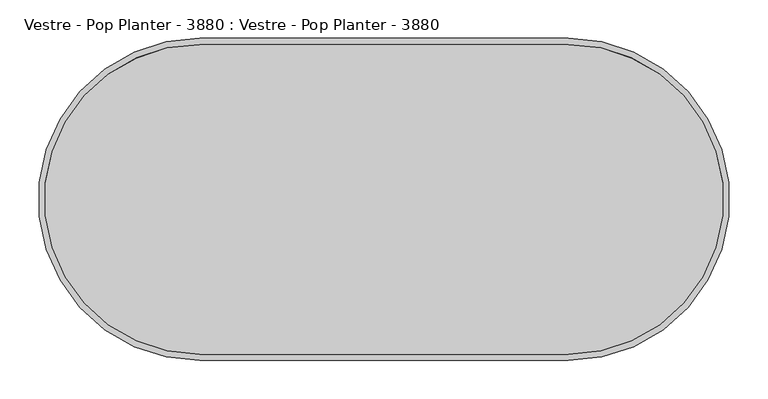
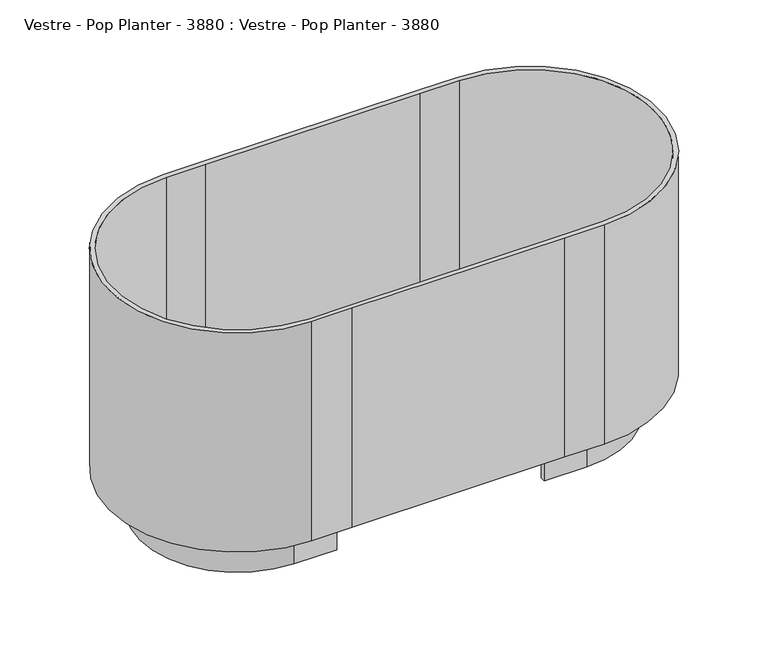
"""IFC4 building model written with IfcOpenShell, lengths in millimetres: furniture geometry, Vestre - Pop Planter - 3880 : Vestre - Pop Planter - 3880."""

from ifc_helpers import new_model, si_unit, frame, origin, place, context, project, spatial, polyline, circle_curve, source, transform, mapped, element, save
from ifc_brep_helpers import plane_surface, cylinder_surface, revolved_surface, advanced_brep


def vestre_pop_planter_3880_vestre_pop_planter_3880_f9cfa1a0(model_context):
    return source(origin(), model_context, "Body", "AdvancedBrep", [
        advanced_brep(
        [(-240.0000029, -202.0, 80.0), (-172.2276791, -202.0, 80.0), (169.6299683, -202.0, 80.0), (239.9999971, -202.0, 80.0), (239.9999971, 202.0, 80.0), (175.3051655, 202.0, 80.0), (-176.5315859, 202.0, 80.0), (-240.0000029, 202.0, 80.0), (-240.0000029, 210.0, 70.0), (-176.0546265, 210.0, 70.0), (179.6815351, 210.0, 70.0), (239.9999971, 210.0, 70.0), (239.9999971, -210.0, 70.0), (174.3286259, -210.0, 70.0), (-173.8103199, -210.0, 70.0), (-240.0000029, -210.0, 70.0), (-170.0000029, 152.0, 70.0), (-170.0000029, 160.0, 70.0), (-240.0000029, 160.0, 70.0), (-240.0000029, -160.0, 70.0), (-170.0000029, -160.0, 70.0), (-170.0000029, -152.0, 70.0), (-240.0000029, -152.0, 70.0), (-240.0000029, 152.0, 70.0), (239.9999971, 152.0, 70.0), (239.9999971, -152.0, 70.0), (169.9999971, -152.0, 70.0), (169.9999971, -160.0, 70.0), (239.9999971, -160.0, 70.0), (239.9999971, 160.0, 70.0), (169.9999971, 160.0, 70.0), (169.9999971, 152.0, 70.0), (-240.0000029, 210.0, 450.0), (-240.0000029, -210.0, 450.0), (-173.8103199, -210.0, 450.0), (174.3286259, -210.0, 450.0), (239.9999971, -210.0, 450.0), (239.9999971, 210.0, 450.0), (179.6815351, 210.0, 450.0), (-176.0546265, 210.0, 450.0), (-240.0000029, -202.0, 450.0), (-240.0000029, 202.0, 450.0), (-176.5315859, 202.0, 450.0), (175.3051655, 202.0, 450.0), (239.9999971, 202.0, 450.0), (239.9999971, -202.0, 450.0), (169.6299683, -202.0, 450.0), (-172.2276791, -202.0, 450.0), (-170.0000029, 152.0, 0.0), (-240.0000029, 152.0, 0.0), (-240.0000029, -152.0, 0.0), (-170.0000029, -152.0, 0.0), (-170.0000029, -160.0, 0.0), (-240.0000029, -160.0, 0.0), (-240.0000029, 160.0, 0.0), (-170.0000029, 160.0, 0.0), (239.9999971, 152.0, 0.0), (169.9999971, 152.0, 0.0), (169.9999971, 160.0, 0.0), (239.9999971, 160.0, 0.0), (239.9999971, -160.0, 0.0), (169.9999971, -160.0, 0.0), (169.9999971, -152.0, 0.0), (239.9999971, -152.0, 0.0)],
        [
            (0, 1),
            (1, 2),
            (2, 3),
            (3, 4, circle_curve(frame((239.9999971, 0.0, 80.0), z_axis=(0.0, 0.0, 1.0), x_axis=(0.0, -1.0, 0.0)), 202.0)),
            (4, 5),
            (5, 6),
            (6, 7),
            (7, 0, circle_curve(frame((-240.0000029, 0.0, 80.0), z_axis=(0.0, 0.0, 1.0), x_axis=(0.0, 1.0, 0.0)), 202.0)),
            (8, 9),
            (9, 10),
            (10, 11),
            (11, 12, circle_curve(frame((239.9999971, 0.0, 70.0), z_axis=(0.0, 0.0, -1.0), x_axis=(0.0, 1.0, 0.0)), 210.0)),
            (12, 13),
            (13, 14),
            (14, 15),
            (15, 8, circle_curve(frame((-240.0000029, 0.0, 70.0), z_axis=(0.0, 0.0, -1.0), x_axis=(0.0, -1.0, 0.0)), 210.0)),
            (16, 17),
            (17, 18),
            (18, 19, circle_curve(frame((-240.0000029, 0.0, 70.0), z_axis=(0.0, 0.0, 1.0), x_axis=(0.0, -1.0, 0.0)), 160.0)),
            (19, 20),
            (20, 21),
            (21, 22),
            (22, 23, circle_curve(frame((-240.0000029, 0.0, 70.0), z_axis=(0.0, 0.0, -1.0), x_axis=(0.0, 1.0, 0.0)), 152.0)),
            (23, 16),
            (24, 25, circle_curve(frame((239.9999971, 0.0, 70.0), z_axis=(0.0, 0.0, -1.0), x_axis=(0.0, -1.0, 0.0)), 152.0)),
            (25, 26),
            (26, 27),
            (27, 28),
            (28, 29, circle_curve(frame((239.9999971, 0.0, 70.0), z_axis=(0.0, 0.0, 1.0), x_axis=(0.0, 1.0, 0.0)), 160.0)),
            (29, 30),
            (30, 31),
            (31, 24),
            (32, 33, circle_curve(frame((-240.0000029, 0.0, 450.0), z_axis=(0.0, 0.0, 1.0), x_axis=(0.0, -1.0, 0.0)), 210.0)),
            (33, 34),
            (34, 35),
            (35, 36),
            (36, 37, circle_curve(frame((239.9999971, 0.0, 450.0), z_axis=(0.0, 0.0, 1.0), x_axis=(0.0, 1.0, 0.0)), 210.0)),
            (37, 38),
            (38, 39),
            (39, 32),
            (40, 41, circle_curve(frame((-240.0000029, 0.0, 450.0), z_axis=(0.0, 0.0, -1.0), x_axis=(0.0, 1.0, 0.0)), 202.0)),
            (41, 42),
            (42, 43),
            (43, 44),
            (44, 45, circle_curve(frame((239.9999971, 0.0, 450.0), z_axis=(0.0, 0.0, -1.0), x_axis=(0.0, -1.0, 0.0)), 202.0)),
            (45, 46),
            (46, 47),
            (47, 40),
            (32, 8),
            (15, 33),
            (14, 34),
            (47, 1),
            (0, 40),
            (7, 41),
            (6, 42),
            (39, 9),
            (5, 43),
            (38, 10),
            (46, 2),
            (13, 35),
            (36, 12),
            (11, 37),
            (4, 44),
            (3, 45),
            (48, 49),
            (49, 50, circle_curve(frame((-240.0000029, 0.0, 0.0), z_axis=(0.0, 0.0, 1.0), x_axis=(0.0, 1.0, 0.0)), 152.0)),
            (50, 51),
            (51, 52),
            (52, 53),
            (53, 54, circle_curve(frame((-240.0000029, 0.0, 0.0), z_axis=(0.0, 0.0, -1.0), x_axis=(0.0, -1.0, 0.0)), 160.0)),
            (54, 55),
            (55, 48),
            (56, 57),
            (57, 58),
            (58, 59),
            (59, 60, circle_curve(frame((239.9999971, 0.0, 0.0), z_axis=(0.0, 0.0, -1.0), x_axis=(0.0, 1.0, 0.0)), 160.0)),
            (60, 61),
            (61, 62),
            (62, 63),
            (63, 56, circle_curve(frame((239.9999971, 0.0, 0.0), z_axis=(0.0, 0.0, 1.0), x_axis=(0.0, -1.0, 0.0)), 152.0)),
            (55, 17),
            (16, 48),
            (54, 18),
            (53, 19),
            (52, 20),
            (51, 21),
            (50, 22),
            (49, 23),
            (63, 25),
            (24, 56),
            (62, 26),
            (61, 27),
            (60, 28),
            (59, 29),
            (58, 30),
            (57, 31),
        ],
        [
            plane_surface(frame((-240.0000029, 202.0, 80.0), z_axis=(0.0, 0.0, 1.0), x_axis=(-1.0, 0.0, 0.0))),
            plane_surface(frame((-240.0000029, 202.0, 70.0), z_axis=(0.0, 0.0, -1.0), x_axis=(1.0, 0.0, 0.0))),
            plane_surface(frame((-240.0000029, -210.0, 450.0), z_axis=(0.0, 0.0, 1.0), x_axis=(1.0, 0.0, 0.0))),
            cylinder_surface(frame((-240.0000029, 0.0, 70.0), z_axis=(0.0, 0.0, 1.0), x_axis=(0.0, -1.0, 0.0)), 210.0),
            plane_surface(frame((-240.0000029, -210.0, 450.0), z_axis=(0.0, -1.0, 0.0), x_axis=(0.0, 0.0, -1.0))),
            plane_surface(frame((-172.2276791, -202.0, 450.0), z_axis=(0.0, 1.0, 0.0), x_axis=(0.0, 0.0, -1.0))),
            revolved_surface(polyline([(-240.0000029, 202.0, 80.0), (-240.0000029, 202.0, 450.0)]), (-240.0000029, 0.0, 0.0), (0.0, 0.0, -1.0)),
            plane_surface(frame((-240.0000029, 202.0, 450.0), z_axis=(0.0, -1.0, 0.0), x_axis=(0.0, 0.0, -1.0))),
            plane_surface(frame((-176.0546265, 210.0, 450.0), z_axis=(0.0, 1.0, 0.0), x_axis=(0.0, 0.0, -1.0))),
            plane_surface(frame((-176.5315859, 202.0, 450.0), z_axis=(0.0, -1.0, 0.0), x_axis=(0.0, 0.0, -1.0))),
            plane_surface(frame((179.6815351, 210.0, 450.0), z_axis=(0.0, 1.0, 0.0), x_axis=(0.0, 0.0, -1.0))),
            plane_surface(frame((169.6299683, -202.0, 450.0), z_axis=(0.0, 1.0, 0.0), x_axis=(0.0, 0.0, -1.0))),
            plane_surface(frame((-173.8103199, -210.0, 450.0), z_axis=(0.0, -1.0, 0.0), x_axis=(0.0, 0.0, -1.0))),
            cylinder_surface(frame((239.9999971, 0.0, 70.0), z_axis=(0.0, 0.0, 1.0), x_axis=(0.0, 1.0, 0.0)), 210.0),
            plane_surface(frame((239.9999971, 210.0, 450.0), z_axis=(0.0, 1.0, 0.0), x_axis=(0.0, 0.0, -1.0))),
            plane_surface(frame((175.3051655, 202.0, 450.0), z_axis=(0.0, -1.0, 0.0), x_axis=(0.0, 0.0, -1.0))),
            revolved_surface(polyline([(239.9999971, -202.0, 80.0), (239.9999971, -202.0, 450.0)]), (239.9999971, 0.0, 0.0), (0.0, 0.0, -1.0)),
            plane_surface(frame((239.9999971, -202.0, 450.0), z_axis=(0.0, 1.0, 0.0), x_axis=(0.0, 0.0, -1.0))),
            plane_surface(frame((174.3286259, -210.0, 450.0), z_axis=(0.0, -1.0, 0.0), x_axis=(0.0, 0.0, -1.0))),
            plane_surface(frame((-170.0000029, 152.0, 0.0), z_axis=(0.0, 0.0, -1.0), x_axis=(0.0, -1.0, 0.0))),
            plane_surface(frame((-170.0000029, 152.0, 70.0), z_axis=(1.0, 0.0, 0.0), x_axis=(0.0, 0.0, -1.0))),
            plane_surface(frame((-170.0000029, 160.0, 70.0), z_axis=(0.0, 1.0, 0.0), x_axis=(0.0, 0.0, -1.0))),
            cylinder_surface(frame((-240.0000029, 0.0, 0.0), z_axis=(0.0, 0.0, 1.0), x_axis=(0.0, -1.0, 0.0)), 160.0),
            plane_surface(frame((-240.0000029, -160.0, 70.0), z_axis=(0.0, -1.0, 0.0), x_axis=(0.0, 0.0, -1.0))),
            plane_surface(frame((-170.0000029, -160.0, 70.0), z_axis=(1.0, 0.0, 0.0), x_axis=(0.0, 0.0, -1.0))),
            plane_surface(frame((-170.0000029, -152.0, 70.0), z_axis=(0.0, 1.0, 0.0), x_axis=(0.0, 0.0, -1.0))),
            revolved_surface(polyline([(-240.0000029, 152.0, 0.0), (-240.0000029, 152.0, 70.0)]), (-240.0000029, 0.0, 0.0), (0.0, 0.0, -1.0)),
            plane_surface(frame((-240.0000029, 152.0, 70.0), z_axis=(0.0, -1.0, 0.0), x_axis=(0.0, 0.0, -1.0))),
            revolved_surface(polyline([(239.9999971, -152.0, 0.0), (239.9999971, -152.0, 70.0)]), (239.9999971, 0.0, 0.0), (0.0, 0.0, -1.0)),
            plane_surface(frame((239.9999971, -152.0, 70.0), z_axis=(0.0, 1.0, 0.0), x_axis=(0.0, 0.0, -1.0))),
            plane_surface(frame((169.9999971, -152.0, 70.0), z_axis=(-1.0, 0.0, 0.0), x_axis=(0.0, 0.0, -1.0))),
            plane_surface(frame((169.9999971, -160.0, 70.0), z_axis=(0.0, -1.0, 0.0), x_axis=(0.0, 0.0, -1.0))),
            cylinder_surface(frame((239.9999971, 0.0, 0.0), z_axis=(0.0, 0.0, 1.0), x_axis=(0.0, 1.0, 0.0)), 160.0),
            plane_surface(frame((239.9999971, 160.0, 70.0), z_axis=(0.0, 1.0, 0.0), x_axis=(0.0, 0.0, -1.0))),
            plane_surface(frame((169.9999971, 160.0, 70.0), z_axis=(-1.0, 0.0, 0.0), x_axis=(0.0, 0.0, -1.0))),
            plane_surface(frame((169.9999971, 152.0, 70.0), z_axis=(0.0, -1.0, 0.0), x_axis=(0.0, 0.0, -1.0))),
        ],
        [
            (0, [[1, 2, 3, 4, 5, 6, 7, 8]]),
            (1, [[9, 10, 11, 12, 13, 14, 15, 16], [17, 18, 19, 20, 21, 22, 23, 24], [25, 26, 27, 28, 29, 30, 31, 32]]),
            (2, [[33, 34, 35, 36, 37, 38, 39, 40], [41, 42, 43, 44, 45, 46, 47, 48]]),
            (3, [[-33, 49, -16, 50]]),
            (4, [[-34, -50, -15, 51]]),
            (5, [[-48, 52, -1, 53]]),
            (6, [[-41, -53, -8, 54]]),
            (7, [[-42, -54, -7, 55]]),
            (8, [[-40, 56, -9, -49]]),
            (9, [[-43, -55, -6, 57]]),
            (10, [[-39, 58, -10, -56]]),
            (11, [[-47, 59, -2, -52]]),
            (12, [[-35, -51, -14, 60]]),
            (13, [[-37, 61, -12, 62]]),
            (14, [[-38, -62, -11, -58]]),
            (15, [[-44, -57, -5, 63]]),
            (16, [[-45, -63, -4, 64]]),
            (17, [[-46, -64, -3, -59]]),
            (18, [[-36, -60, -13, -61]]),
            (19, [[65, 66, 67, 68, 69, 70, 71, 72]]),
            (19, [[73, 74, 75, 76, 77, 78, 79, 80]]),
            (20, [[-72, 81, -17, 82]]),
            (21, [[-71, 83, -18, -81]]),
            (22, [[-70, 84, -19, -83]]),
            (23, [[-69, 85, -20, -84]]),
            (24, [[-68, 86, -21, -85]]),
            (25, [[-67, 87, -22, -86]]),
            (26, [[-66, 88, -23, -87]]),
            (27, [[-65, -82, -24, -88]]),
            (28, [[-80, 89, -25, 90]]),
            (29, [[-79, 91, -26, -89]]),
            (30, [[-78, 92, -27, -91]]),
            (31, [[-77, 93, -28, -92]]),
            (32, [[-76, 94, -29, -93]]),
            (33, [[-75, 95, -30, -94]]),
            (34, [[-74, 96, -31, -95]]),
            (35, [[-73, -90, -32, -96]]),
        ],
    ),
    ])


if __name__ == "__main__":
    model = new_model("IFC4")
    model_context = context("Model", 3, world=origin())
    ifc_project = project(units=[si_unit("LENGTHUNIT", "METRE", prefix="MILLI")], contexts=[model_context])
    site = spatial("IfcSite", under=ifc_project)
    building = spatial("IfcBuilding", under=site)
    placement = place(None, origin())
    vestre_pop_planter_3880_vestre_pop_planter_3880_shape = vestre_pop_planter_3880_vestre_pop_planter_3880_f9cfa1a0(model_context)
    element("IfcFurniture", 1, ObjectType="Vestre - Pop Planter - 3880 : Vestre - Pop Planter - 3880", at=placement, inside=building, context=model_context, shape_type="MappedRepresentation", body=[
        mapped(vestre_pop_planter_3880_vestre_pop_planter_3880_shape, transform((0.0, 0.0, 0.0), x_axis=(1.0, 0.0, 0.0), y_axis=(0.0, 1.0, 0.0), z_axis=(0.0, 0.0, 1.0))),
    ])
    save(model, "model.ifc")
